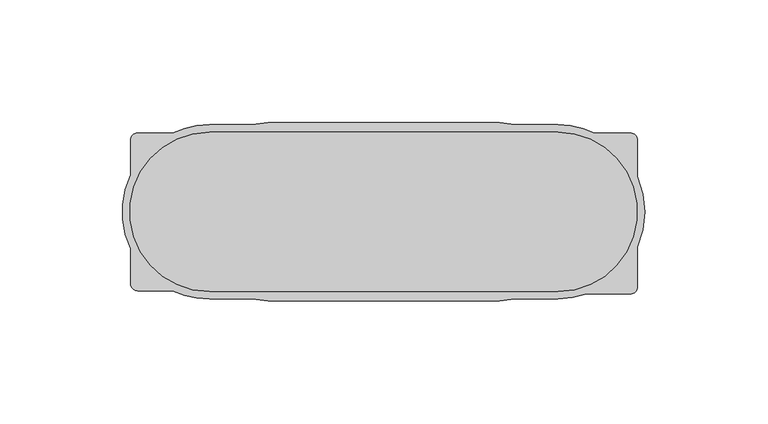
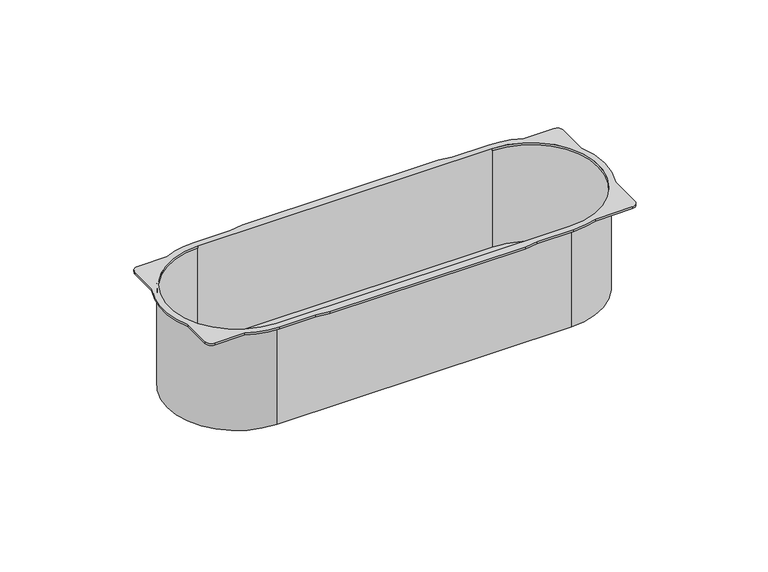
"""IFC4 building model written with IfcOpenShell, lengths in millimetres: proxy geometry."""

from ifc_helpers import new_model, si_unit, point, frame, frame_2d, origin, place, context, project, spatial, polyline, circle_curve, trimmed, segment, composite_curve, outline, extrude, source, transform, mapped, element, save
from ifc_brep_helpers import plane_surface, cylinder_surface, revolved_surface, advanced_brep


def electrical_fixtures_10310662(model_context):
    return source(origin(), model_context, "Body", "SolidModel", [
        advanced_brep(
        [(-71.0, 33.5, -50.0), (71.0, 33.5, -50.0), (71.0, -33.5, -50.0), (-71.0, -33.5, -50.0), (-71.0, 32.5, -50.0), (-71.0, -32.5, -50.0), (71.0, -32.5, -50.0), (71.0, 32.5, -50.0), (103.4713136, -14.3479544, 1.0), (103.4713136, 14.3479544, 1.0), (103.4713136, 29.1875, 1.0), (100.4713136, 32.1875, 1.0), (85.9738053, 32.1875, 1.0), (71.0, 35.5, 1.0), (53.5182585, 35.5, 1.0), (47.1783104, 36.4, 1.0), (-47.1783104, 36.4, 1.0), (-53.5182585, 35.5, 1.0), (-71.0, 35.5, 1.0), (-85.9738053, 32.1875, 1.0), (-100.1875, 32.1875, 1.0), (-103.1875, 29.1875, 1.0), (-103.1875, 14.9738053, 1.0), (-103.1875, -14.9738053, 1.0), (-103.1875, -29.1875, 1.0), (-100.1875, -32.1875, 1.0), (-85.9738053, -32.1875, 1.0), (-71.0, -35.5, 1.0), (-53.5182585, -35.5, 1.0), (-47.1783104, -36.4, 1.0), (47.1783104, -36.4, 1.0), (53.5182585, -35.5, 1.0), (71.0, -35.5, 1.0), (82.7473401, -33.5, 1.0), (100.4713136, -33.5, 1.0), (103.4713136, -30.5, 1.0), (71.0, 32.5, 1.0), (71.0, -32.5, 1.0), (-71.0, -32.5, 1.0), (-71.0, 32.5, 1.0), (103.4713136, -14.3479544, 0.0), (103.4713136, -30.5, 0.0), (100.4713136, -33.5, 0.0), (82.7473401, -33.5, 0.0), (71.0, -35.5, 0.0), (53.5182585, -35.5, 0.0), (47.1783104, -36.4, 0.0), (-47.1783104, -36.4, 0.0), (-53.5182585, -35.5, 0.0), (-71.0, -35.5, 0.0), (-85.9738053, -32.1875, 0.0), (-100.1875, -32.1875, 0.0), (-103.1875, -29.1875, 0.0), (-103.1875, -14.9738053, 0.0), (-103.1875, 14.9738053, 0.0), (-103.1875, 29.1875, 0.0), (-100.1875, 32.1875, 0.0), (-85.9738053, 32.1875, 0.0), (-71.0, 35.5, 0.0), (-53.5182585, 35.5, 0.0), (-47.1783104, 36.4, 0.0), (47.1783104, 36.4, 0.0), (53.5182585, 35.5, 0.0), (71.0, 35.5, 0.0), (85.9738053, 32.1875, 0.0), (100.4713136, 32.1875, 0.0), (103.4713136, 29.1875, 0.0), (103.4713136, 14.3479544, 0.0), (-71.0, 33.5, 0.0), (-71.0, -33.5, 0.0), (71.0, -33.5, 0.0), (71.0, 33.5, 0.0), (71.0, 32.5, 0.0), (71.0, -32.5, 0.0), (-71.0, -32.5, 0.0), (-71.0, 32.5, 0.0)],
        [
            (0, 1),
            (1, 2, circle_curve(frame((71.0, 0.0, -50.0), z_axis=(0.0, 0.0, -1.0), x_axis=(1.0, 0.0, 0.0)), 33.5)),
            (2, 3),
            (3, 0, circle_curve(frame((-71.0, 0.0, -50.0), z_axis=(0.0, 0.0, -1.0), x_axis=(-1.0, 0.0, 0.0)), 33.5)),
            (4, 5, circle_curve(frame((-71.0, 0.0, -50.0), z_axis=(0.0, 0.0, 1.0), x_axis=(-1.0, 0.0, 0.0)), 32.5)),
            (5, 6),
            (6, 7, circle_curve(frame((71.0, 0.0, -50.0), z_axis=(0.0, 0.0, 1.0), x_axis=(1.0, 0.0, 0.0)), 32.5)),
            (7, 4),
            (8, 9, circle_curve(frame((71.0, 0.0, 1.0), z_axis=(0.0, 0.0, 1.0), x_axis=(1.0, 0.0, 0.0)), 35.5)),
            (9, 10),
            (10, 11, circle_curve(frame((100.4713136, 29.1875, 1.0), z_axis=(0.0, 0.0, 1.0), x_axis=(-1.0, 0.0, 0.0)), 3.0)),
            (11, 12),
            (12, 13, circle_curve(frame((71.0, 0.0, 1.0), z_axis=(0.0, 0.0, 1.0), x_axis=(1.0, 0.0, 0.0)), 35.5)),
            (13, 14),
            (14, 15),
            (15, 16),
            (16, 17),
            (17, 18),
            (18, 19, circle_curve(frame((-71.0, 0.0, 1.0), z_axis=(0.0, 0.0, 1.0), x_axis=(-1.0, 0.0, 0.0)), 35.5)),
            (19, 20),
            (20, 21, circle_curve(frame((-100.1875, 29.1875, 1.0), z_axis=(0.0, 0.0, 1.0), x_axis=(1.0, 0.0, 0.0)), 3.0)),
            (21, 22),
            (22, 23, circle_curve(frame((-71.0, 0.0, 1.0), z_axis=(0.0, 0.0, 1.0), x_axis=(-1.0, 0.0, 0.0)), 35.5)),
            (23, 24),
            (24, 25, circle_curve(frame((-100.1875, -29.1875, 1.0), z_axis=(0.0, 0.0, 1.0), x_axis=(1.0, 0.0, 0.0)), 3.0)),
            (25, 26),
            (26, 27, circle_curve(frame((-71.0, 0.0, 1.0), z_axis=(0.0, 0.0, 1.0), x_axis=(-1.0, 0.0, 0.0)), 35.5)),
            (27, 28),
            (28, 29),
            (29, 30),
            (30, 31),
            (31, 32),
            (32, 33, circle_curve(frame((71.0, 0.0, 1.0), z_axis=(0.0, 0.0, 1.0), x_axis=(1.0, 0.0, 0.0)), 35.5)),
            (33, 34),
            (34, 35, circle_curve(frame((100.4713136, -30.5, 1.0), z_axis=(0.0, 0.0, 1.0), x_axis=(-1.0, 0.0, 0.0)), 3.0)),
            (35, 8),
            (36, 37, circle_curve(frame((71.0, 0.0, 1.0), z_axis=(0.0, 0.0, -1.0), x_axis=(1.0, 0.0, 0.0)), 32.5)),
            (37, 38),
            (38, 39, circle_curve(frame((-71.0, 0.0, 1.0), z_axis=(0.0, 0.0, -1.0), x_axis=(-1.0, 0.0, 0.0)), 32.5)),
            (39, 36),
            (40, 41),
            (41, 42, circle_curve(frame((100.4713136, -30.5, 0.0), z_axis=(0.0, 0.0, -1.0), x_axis=(-1.0, 0.0, 0.0)), 3.0)),
            (42, 43),
            (43, 44, circle_curve(frame((71.0, 0.0, 0.0), z_axis=(0.0, 0.0, -1.0), x_axis=(1.0, 0.0, 0.0)), 35.5)),
            (44, 45),
            (45, 46),
            (46, 47),
            (47, 48),
            (48, 49),
            (49, 50, circle_curve(frame((-71.0, 0.0, 0.0), z_axis=(0.0, 0.0, -1.0), x_axis=(-1.0, 0.0, 0.0)), 35.5)),
            (50, 51),
            (51, 52, circle_curve(frame((-100.1875, -29.1875, 0.0), z_axis=(0.0, 0.0, -1.0), x_axis=(1.0, 0.0, 0.0)), 3.0)),
            (52, 53),
            (53, 54, circle_curve(frame((-71.0, 0.0, 0.0), z_axis=(0.0, 0.0, -1.0), x_axis=(-1.0, 0.0, 0.0)), 35.5)),
            (54, 55),
            (55, 56, circle_curve(frame((-100.1875, 29.1875, 0.0), z_axis=(0.0, 0.0, -1.0), x_axis=(1.0, 0.0, 0.0)), 3.0)),
            (56, 57),
            (57, 58, circle_curve(frame((-71.0, 0.0, 0.0), z_axis=(0.0, 0.0, -1.0), x_axis=(-1.0, 0.0, 0.0)), 35.5)),
            (58, 59),
            (59, 60),
            (60, 61),
            (61, 62),
            (62, 63),
            (63, 64, circle_curve(frame((71.0, 0.0, 0.0), z_axis=(0.0, 0.0, -1.0), x_axis=(1.0, 0.0, 0.0)), 35.5)),
            (64, 65),
            (65, 66, circle_curve(frame((100.4713136, 29.1875, 0.0), z_axis=(0.0, 0.0, -1.0), x_axis=(-1.0, 0.0, 0.0)), 3.0)),
            (66, 67),
            (67, 40, circle_curve(frame((71.0, 0.0, 0.0), z_axis=(0.0, 0.0, -1.0), x_axis=(1.0, 0.0, 0.0)), 35.5)),
            (68, 69, circle_curve(frame((-71.0, 0.0, 0.0), z_axis=(0.0, 0.0, 1.0), x_axis=(-1.0, 0.0, 0.0)), 33.5)),
            (69, 70),
            (70, 71, circle_curve(frame((71.0, 0.0, 0.0), z_axis=(0.0, 0.0, 1.0), x_axis=(1.0, 0.0, 0.0)), 33.5)),
            (71, 68),
            (35, 41),
            (40, 8),
            (10, 66),
            (65, 11),
            (64, 12),
            (33, 43),
            (42, 34),
            (9, 67),
            (63, 13),
            (32, 44),
            (62, 14),
            (18, 58),
            (57, 19),
            (56, 20),
            (55, 21),
            (54, 22),
            (53, 23),
            (52, 24),
            (51, 25),
            (50, 26),
            (49, 27),
            (31, 45),
            (36, 72),
            (72, 73, circle_curve(frame((71.0, 0.0, 0.0), z_axis=(0.0, 0.0, -1.0), x_axis=(1.0, 0.0, 0.0)), 32.5)),
            (73, 37),
            (38, 74),
            (74, 75, circle_curve(frame((-71.0, 0.0, 0.0), z_axis=(0.0, 0.0, -1.0), x_axis=(-1.0, 0.0, 0.0)), 32.5)),
            (75, 39),
            (3, 69),
            (68, 0),
            (2, 70),
            (1, 71),
            (7, 72),
            (75, 4),
            (6, 73),
            (5, 74),
            (61, 15),
            (60, 16),
            (59, 17),
            (48, 28),
            (47, 29),
            (46, 30),
        ],
        [
            plane_surface(frame((-104.5, 0.0, -50.0), z_axis=(0.0, 0.0, -1.0), x_axis=(0.0, 1.0, 0.0))),
            plane_surface(frame((106.5, 0.0, 1.0), z_axis=(0.0, 0.0, 1.0), x_axis=(0.0, 1.0, 0.0))),
            plane_surface(frame((106.5, 0.0, 0.0), z_axis=(0.0, 0.0, -1.0), x_axis=(0.0, -1.0, 0.0))),
            plane_surface(frame((103.4713136, -30.5, 1.0), z_axis=(1.0, 0.0, 0.0), x_axis=(0.0, 0.0, -1.0))),
            cylinder_surface(frame((100.4713136, 29.1875, 0.0), z_axis=(0.0, 0.0, 1.0), x_axis=(-1.0, 0.0, 0.0)), 3.0),
            plane_surface(frame((100.4713136, 32.1875, 1.0), z_axis=(0.0, 1.0, 0.0), x_axis=(0.0, 0.0, -1.0))),
            plane_surface(frame((82.7473401, -33.5, 1.0), z_axis=(0.0, -1.0, 0.0), x_axis=(0.0, 0.0, -1.0))),
            cylinder_surface(frame((100.4713136, -30.5, 0.0), z_axis=(0.0, 0.0, 1.0), x_axis=(-1.0, 0.0, 0.0)), 3.0),
            plane_surface(frame((103.4713136, 14.3479544, 1.0), z_axis=(1.0, 0.0, 0.0), x_axis=(0.0, 0.0, -1.0))),
            cylinder_surface(frame((71.0, 0.0, 0.0), z_axis=(0.0, 0.0, 1.0), x_axis=(1.0, 0.0, 0.0)), 35.5),
            plane_surface(frame((71.0, 35.5, 1.0), z_axis=(0.0, 1.0, 0.0), x_axis=(0.0, 0.0, -1.0))),
            cylinder_surface(frame((-71.0, 0.0, 0.0), z_axis=(0.0, 0.0, 1.0), x_axis=(-1.0, 0.0, 0.0)), 35.5),
            plane_surface(frame((-85.9738053, 32.1875, 1.0), z_axis=(0.0, 1.0, 0.0), x_axis=(0.0, 0.0, -1.0))),
            cylinder_surface(frame((-100.1875, 29.1875, 0.0), z_axis=(0.0, 0.0, 1.0), x_axis=(1.0, 0.0, 0.0)), 3.0),
            plane_surface(frame((-103.1875, 29.1875, 1.0), z_axis=(-1.0, 0.0, 0.0), x_axis=(0.0, 0.0, -1.0))),
            plane_surface(frame((-103.1875, -14.9738053, 1.0), z_axis=(-1.0, 0.0, 0.0), x_axis=(0.0, 0.0, -1.0))),
            cylinder_surface(frame((-100.1875, -29.1875, 0.0), z_axis=(0.0, 0.0, 1.0), x_axis=(1.0, 0.0, 0.0)), 3.0),
            plane_surface(frame((-100.1875, -32.1875, 1.0), z_axis=(0.0, -1.0, 0.0), x_axis=(0.0, 0.0, -1.0))),
            plane_surface(frame((53.5182585, -35.5, 1.0), z_axis=(0.0, -1.0, 0.0), x_axis=(0.0, 0.0, -1.0))),
            revolved_surface(polyline([(103.5, 0.0, 0.0), (103.5, 0.0, 1.0)]), (71.0, 0.0, 0.0), (0.0, 0.0, -1.0)),
            revolved_surface(polyline([(-103.5, 0.0, 0.0), (-103.5, 0.0, 1.0)]), (-71.0, 0.0, 0.0), (0.0, 0.0, -1.0)),
            cylinder_surface(frame((-71.0, 0.0, -50.0), z_axis=(0.0, 0.0, 1.0), x_axis=(-1.0, 0.0, 0.0)), 33.5),
            plane_surface(frame((-71.0, -33.5, 0.0), z_axis=(0.0, -1.0, 0.0), x_axis=(0.0, 0.0, -1.0))),
            cylinder_surface(frame((71.0, 0.0, -50.0), z_axis=(0.0, 0.0, 1.0), x_axis=(1.0, 0.0, 0.0)), 33.5),
            plane_surface(frame((71.0, 33.5, 0.0), z_axis=(0.0, 1.0, 0.0), x_axis=(0.0, 0.0, -1.0))),
            plane_surface(frame((-71.0, 32.5, 0.0), z_axis=(0.0, -1.0, 0.0), x_axis=(0.0, 0.0, -1.0))),
            revolved_surface(polyline([(103.5, 0.0, -50.0), (103.5, 0.0, 0.0)]), (71.0, 0.0, 0.0), (0.0, 0.0, -1.0)),
            plane_surface(frame((71.0, -32.5, 0.0), z_axis=(0.0, 1.0, 0.0), x_axis=(0.0, 0.0, -1.0))),
            revolved_surface(polyline([(-103.5, 0.0, -50.0), (-103.5, 0.0, 0.0)]), (-71.0, 0.0, 0.0), (0.0, 0.0, -1.0)),
            plane_surface(frame((53.5182585, 35.5, 1.0), z_axis=(0.14054791471914707, 0.9900738778839181, 0.0), x_axis=(0.0, 0.0, -1.0))),
            plane_surface(frame((47.1783104, 36.4, 1.0), z_axis=(0.0, 1.0, 0.0), x_axis=(0.0, 0.0, -1.0))),
            plane_surface(frame((-47.1783104, 36.4, 1.0), z_axis=(-0.14054791471914835, 0.9900738778839179, 0.0), x_axis=(0.0, 0.0, -1.0))),
            plane_surface(frame((-53.5182585, 35.5, 1.0), z_axis=(0.0, 1.0, 0.0), x_axis=(0.0, 0.0, -1.0))),
            plane_surface(frame((-71.0, -35.5, 1.0), z_axis=(0.0, -1.0, 0.0), x_axis=(0.0, 0.0, -1.0))),
            plane_surface(frame((-53.5182585, -35.5, 1.0), z_axis=(-0.14054791471914785, -0.990073877883918, 0.0), x_axis=(0.0, 0.0, -1.0))),
            plane_surface(frame((-47.1783104, -36.4, 1.0), z_axis=(0.0, -1.0, 0.0), x_axis=(0.0, 0.0, -1.0))),
            plane_surface(frame((47.1783104, -36.4, 1.0), z_axis=(0.14054791471914663, -0.9900738778839181, 0.0), x_axis=(0.0, 0.0, -1.0))),
        ],
        [
            (0, [[1, 2, 3, 4], [5, 6, 7, 8]]),
            (1, [[9, 10, 11, 12, 13, 14, 15, 16, 17, 18, 19, 20, 21, 22, 23, 24, 25, 26, 27, 28, 29, 30, 31, 32, 33, 34, 35, 36], [37, 38, 39, 40]]),
            (2, [[41, 42, 43, 44, 45, 46, 47, 48, 49, 50, 51, 52, 53, 54, 55, 56, 57, 58, 59, 60, 61, 62, 63, 64, 65, 66, 67, 68], [69, 70, 71, 72]]),
            (3, [[-36, 73, -41, 74]]),
            (4, [[-11, 75, -66, 76]]),
            (5, [[-12, -76, -65, 77]]),
            (6, [[-34, 78, -43, 79]]),
            (7, [[-35, -79, -42, -73]]),
            (8, [[-10, 80, -67, -75]]),
            (9, [[-9, -74, -68, -80]]),
            (9, [[-13, -77, -64, 81]]),
            (9, [[-33, 82, -44, -78]]),
            (10, [[-14, -81, -63, 83]]),
            (11, [[-19, 84, -58, 85]]),
            (12, [[-20, -85, -57, 86]]),
            (13, [[-21, -86, -56, 87]]),
            (14, [[-22, -87, -55, 88]]),
            (11, [[-23, -88, -54, 89]]),
            (15, [[-24, -89, -53, 90]]),
            (16, [[-25, -90, -52, 91]]),
            (17, [[-26, -91, -51, 92]]),
            (11, [[-27, -92, -50, 93]]),
            (18, [[-32, 94, -45, -82]]),
            (19, [[-37, 95, 96, 97]]),
            (20, [[-39, 98, 99, 100]]),
            (21, [[-4, 101, -69, 102]]),
            (22, [[-3, 103, -70, -101]]),
            (23, [[-2, 104, -71, -103]]),
            (24, [[-1, -102, -72, -104]]),
            (25, [[-8, 105, -95, -40, -100, 106]]),
            (26, [[-7, 107, -96, -105]]),
            (27, [[-6, 108, -98, -38, -97, -107]]),
            (28, [[-5, -106, -99, -108]]),
            (29, [[-15, -83, -62, 109]]),
            (30, [[-16, -109, -61, 110]]),
            (31, [[-17, -110, -60, 111]]),
            (32, [[-18, -111, -59, -84]]),
            (33, [[-28, -93, -49, 112]]),
            (34, [[-29, -112, -48, 113]]),
            (35, [[-30, -113, -47, 114]]),
            (36, [[-31, -114, -46, -94]]),
        ],
    ),
        extrude(outline(composite_curve([segment(polyline([(-71.0, 32.5), (71.0, 32.5)]), True, "CONTINUOUS"), segment(trimmed(circle_curve(frame_2d((71.0, 0.0)), 32.5), [point((71.0, 32.5))], [point((71.0, -32.5))], False, "CARTESIAN"), True, "CONTINUOUS"), segment(polyline([(71.0, -32.5), (-71.0, -32.5)]), True, "CONTINUOUS"), segment(trimmed(circle_curve(frame_2d((-71.0, 0.0)), 32.5), [point((-71.0, -32.5))], [point((-71.0, 32.5))], False, "CARTESIAN"), True, "CONTINUOUS")], self_intersect=False)), frame((0.0, 0.0, -50.0), z_axis=(0.0, 0.0, 1.0), x_axis=(1.0, 0.0, 0.0)), (0.0, 0.0, 1.0), 1.0),
    ])


if __name__ == "__main__":
    model = new_model("IFC4")
    model_context = context("Model", 3, world=origin())
    ifc_project = project(units=[si_unit("LENGTHUNIT", "METRE", prefix="MILLI")], contexts=[model_context])
    site = spatial("IfcSite", under=ifc_project)
    building = spatial("IfcBuilding", under=site)
    placement = place(None, origin())
    electrical_fixtures_shape = electrical_fixtures_10310662(model_context)
    element("IfcBuildingElementProxy", 1, Name="Electrical Fixtures", at=placement, inside=building, context=model_context, shape_type="MappedRepresentation", body=[
        mapped(electrical_fixtures_shape, transform((0.0, 0.0, 0.0), x_axis=(1.0, 0.0, 0.0), y_axis=(0.0, 1.0, 0.0), z_axis=(0.0, 0.0, 1.0))),
    ])
    save(model, "model.ifc")
